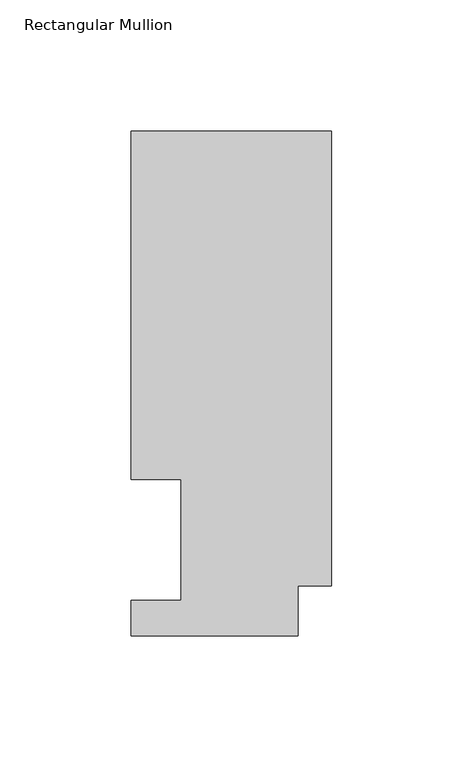
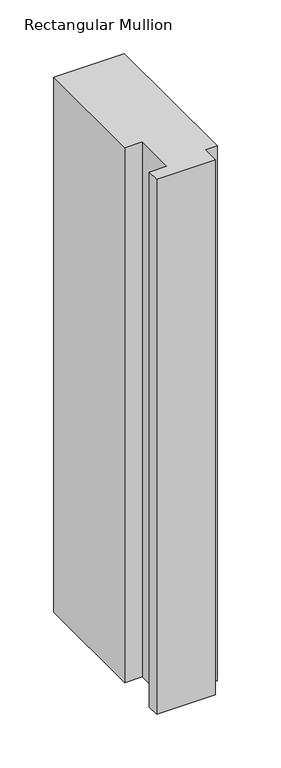
"""IFC4 building model written with IfcOpenShell, lengths in millimetres: member geometry, Rectangular Mullion."""

from ifc_helpers import new_model, si_unit, frame, origin, place, context, project, spatial, polyline, outline, extrude, source, transform, mapped, element, save


def rectangular_mullion_0a467bc1(model_context):
    return source(origin(), model_context, "Body", "SweptSolid", [
        extrude(outline(polyline([(0.0, 192.09385), (0.0, 19.06905), (-12.7, 19.06905), (-12.7, 0.04445), (-76.2, 0.04445), (-76.2, 13.50645), (-57.1627, 13.50645), (-57.1627, 59.53125), (-76.2, 59.53125), (-76.2, 192.09385), (0.0, 192.09385)])), frame((0.0, 0.0, -609.56825), z_axis=(0.0, 0.0, 1.0), x_axis=(1.0, 0.0, 0.0)), (0.0, 0.0, 1.0), 609.56825),
    ])


if __name__ == "__main__":
    model = new_model("IFC4")
    model_context = context("Model", 3, world=origin())
    ifc_project = project(units=[si_unit("LENGTHUNIT", "METRE", prefix="MILLI")], contexts=[model_context])
    site = spatial("IfcSite", under=ifc_project)
    building = spatial("IfcBuilding", under=site)
    placement = place(None, origin())
    rectangular_mullion_shape = rectangular_mullion_0a467bc1(model_context)
    element("IfcMember", 1, ObjectType="Rectangular Mullion", at=placement, inside=building, context=model_context, shape_type="MappedRepresentation", body=[
        mapped(rectangular_mullion_shape, transform((0.0, 0.0, 0.0), x_axis=(1.0, 0.0, 0.0), y_axis=(0.0, 1.0, 0.0), z_axis=(0.0, 0.0, 1.0))),
    ])
    save(model, "model.ifc")
